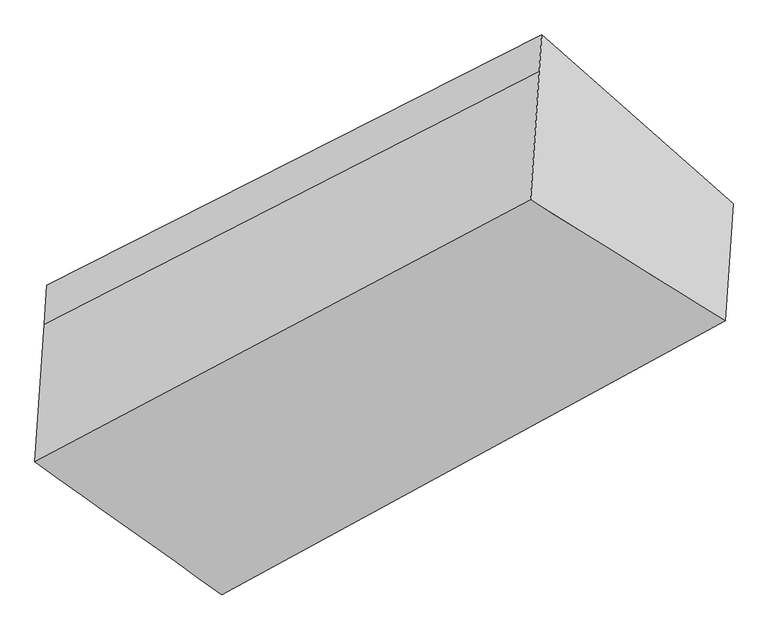
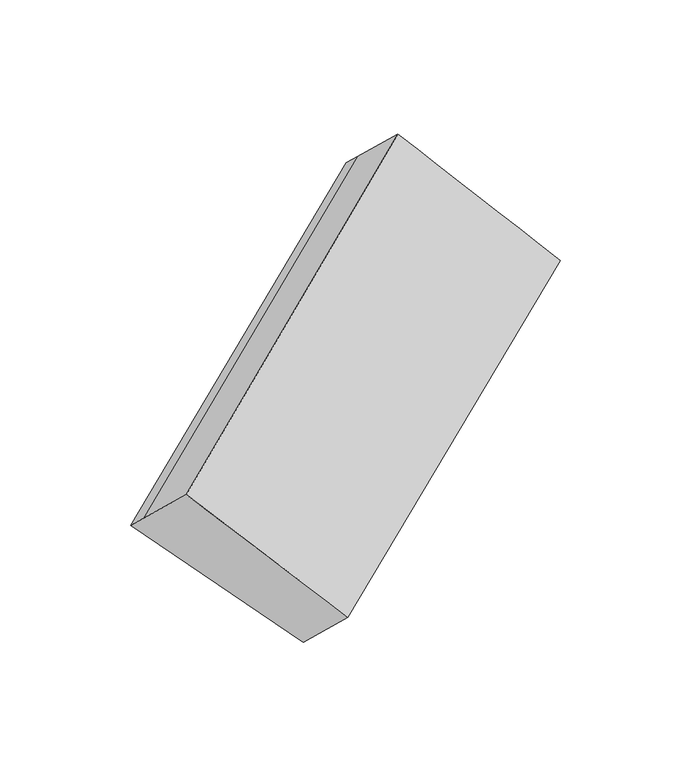
"""IFC4 building model written with IfcOpenShell, lengths in millimetres: proxy geometry."""

from ifc_helpers import new_model, si_unit, frame, origin, place, context, project, spatial, source, transform, mapped, element, save
from ifc_brep_helpers import plane_surface, spline_surface, advanced_brep


def generic_models_f780bffd(model_context):
    return source(origin(), model_context, "Body", "AdvancedBrep", [
        advanced_brep(
        [(-3758.1504491, -1499.6197539, 1535.2977981), (-3765.5289138, -1609.4026925, 1637.2451603), (-2371.3841814, -897.7839978, 2474.3822602), (-2364.4976144, -795.3199219, 2379.2313887), (-3238.4332963, -1967.095196, 1069.5072957), (-1825.6573348, -1270.5033867, 1906.5244733), (-3265.5984786, -2371.2813891, 1444.8453654), (-1847.8537298, -1600.759826, 2213.2094037), (-3791.6159656, -1997.5475626, 1997.68683), (-2395.7377031, -1260.1359633, 2810.8719513)],
        [
            (0, 1),
            (1, 2),
            (2, 3),
            (3, 0),
            (4, 0),
            (0, 5),
            (5, 4),
            (6, 4),
            (5, 7),
            (7, 6),
            (8, 6),
            (7, 9),
            (9, 8),
            (1, 8),
            (9, 2),
            (5, 3),
        ],
        [
            plane_surface(frame((-3761.8396815, -1554.5112232, 1586.2714792), z_axis=(-0.6176763752094547, 0.5570364620657255, 0.5551452741737142), x_axis=(-0.04918976446093197, -0.7318862568505866, 0.6796490815895474))),
            plane_surface(frame((-3498.2918727, -1733.357475, 1302.4025469), z_axis=(0.04459855497750659, 0.7295715563161188, -0.6824487622586728), x_axis=(-0.6187108962632699, 0.5565183834229895, 0.5545125027962522))),
            plane_surface(frame((-3252.0158874, -2169.1882926, 1257.1763306), z_axis=(0.6088612734129605, -0.5613904333040004, -0.5604718825531705), x_axis=(0.04918976446095124, 0.7318862568505959, -0.679649081589536))),
            spline_surface(1, 1, [[(-3791.6159656, -1997.5475626, 1997.68683), (-2395.7377031, -1260.1359633, 2810.8719513)], [(-3265.5984786, -2371.2813891, 1444.8453654), (-1847.8537298, -1600.759826, 2213.2094037)]], [2, 2], [2, 2], [0.0, 1.0], [0.0, 1.0]),
            plane_surface(frame((-3778.5724397, -1803.4751275, 1817.4659952), z_axis=(-0.6176763752094548, 0.5570364620657254, 0.5551452741737145), x_axis=(-0.04918976446095027, -0.731886256850596, 0.679649081589536))),
            plane_surface(frame((-2108.4365955, -1231.6797745, 2327.4593043), z_axis=(0.7778205817855732, 0.3988022782836532, 0.48574878835311586), x_axis=(0.04918976446095124, 0.7318862568505959, -0.679649081589536))),
            plane_surface(frame((-3513.4495474, -1958.8859754, 1511.8343223), z_axis=(-0.784077288229533, -0.39322995301157465, -0.4802010101375638), x_axis=(0.04918976446094576, 0.7318862568505937, -0.6796490815895389))),
            plane_surface(frame((-3758.1504491, -1499.6197539, 1535.2977981), z_axis=(0.044612714579970736, 0.7295272926150771, -0.6824951538491113), x_axis=(-0.6265584646487738, 0.5525389125382849, 0.5496592039691329))),
        ],
        [
            (0, [[1, 2, 3, 4]]),
            (1, [[5, 6, 7]]),
            (2, [[8, -7, 9, 10]]),
            (3, [[11, -10, 12, 13]]),
            (4, [[14, -13, 15, -2]]),
            (5, [[-9, 16, -3, -15, -12]]),
            (6, [[-1, -5, -8, -11, -14]]),
            (7, [[-16, -6, -4]]),
        ],
    ),
    ])


if __name__ == "__main__":
    model = new_model("IFC4")
    model_context = context("Model", 3, world=origin())
    ifc_project = project(units=[si_unit("LENGTHUNIT", "METRE", prefix="MILLI")], contexts=[model_context])
    site = spatial("IfcSite", under=ifc_project)
    building = spatial("IfcBuilding", under=site)
    placement = place(None, origin())
    generic_models_shape = generic_models_f780bffd(model_context)
    element("IfcBuildingElementProxy", 1, Name="Generic Models", at=placement, inside=building, context=model_context, shape_type="MappedRepresentation", body=[
        mapped(generic_models_shape, transform((0.0, 0.0, 0.0), x_axis=(1.0, 0.0, 0.0), y_axis=(0.0, 1.0, 0.0), z_axis=(0.0, 0.0, 1.0))),
    ])
    save(model, "model.ifc")
